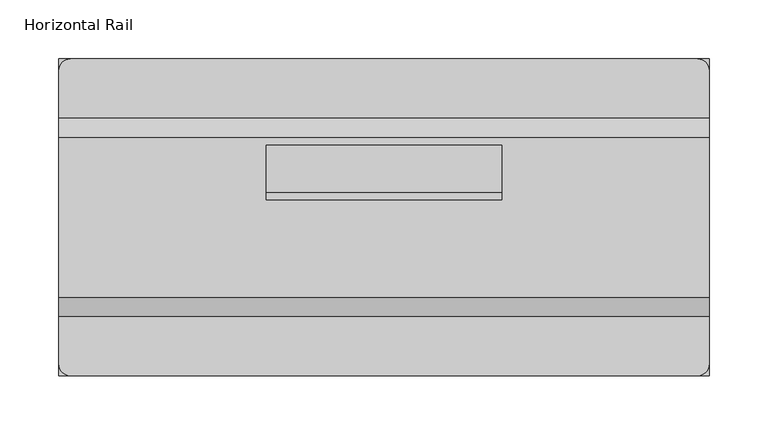
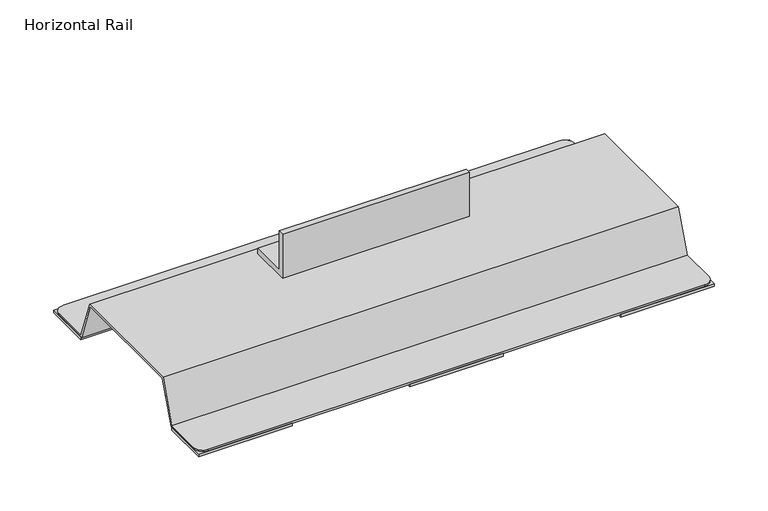
"""IFC4 building model written with IfcOpenShell, lengths in millimetres: proxy geometry, Horizontal Rail."""

from ifc_helpers import new_model, si_unit, frame, origin, origin_with_axes, place, context, project, spatial, polyline, circle_curve, outline, extrude, source, transform, mapped, element, save
from ifc_brep_helpers import plane_surface, cylinder_surface, advanced_brep


def horizontal_rail_a46c08f2(model_context):
    return source(origin(), model_context, "Body", "SolidModel", [
        extrude(outline(polyline([(61.0, 56.0), (61.0, 50.0), (15.0, 50.0), (15.0, 100.0), (21.0, 100.0), (21.0, 56.0), (61.0, 56.0)])), frame((-100.0, 0.0, 0.0), z_axis=(1.0, 0.0, 0.0), x_axis=(0.0, 1.0, 0.0)), (0.0, 0.0, 1.0), 200.0),
        extrude(outline(polyline([(-176.0, 134.5), (-176.0, 84.5), (-276.0, 84.5), (-276.0, 134.5), (-176.0, 134.5)])), origin_with_axes(), (0.0, 0.0, 1.0), 3.0),
        extrude(outline(polyline([(50.0, 134.5), (50.0, 84.5), (-50.0, 84.5), (-50.0, 134.5), (50.0, 134.5)])), origin_with_axes(), (0.0, 0.0, 1.0), 3.0),
        extrude(outline(polyline([(276.0, 134.5), (276.0, 84.5), (176.0, 84.5), (176.0, 134.5), (276.0, 134.5)])), origin_with_axes(), (0.0, 0.0, 1.0), 3.0),
        extrude(outline(polyline([(-176.0, -84.5), (-176.0, -134.5), (-276.0, -134.5), (-276.0, -84.5), (-176.0, -84.5)])), origin_with_axes(), (0.0, 0.0, 1.0), 3.0),
        extrude(outline(polyline([(50.0, -84.5), (50.0, -134.5), (-50.0, -134.5), (-50.0, -84.5), (50.0, -84.5)])), origin_with_axes(), (0.0, 0.0, 1.0), 3.0),
        extrude(outline(polyline([(276.0, -84.5), (276.0, -134.5), (176.0, -134.5), (176.0, -84.5), (276.0, -84.5)])), origin_with_axes(), (0.0, 0.0, 1.0), 3.0),
        advanced_brep(
        [(-276.0, 83.0995849, 3.0), (-276.0, 66.7209244, 48.0), (-276.0, -66.7209244, 48.0), (-276.0, -83.0995849, 3.0), (-276.0, -124.5, 3.0), (-276.0, -124.5, 5.0), (-276.0, -84.5, 5.0), (-276.0, -68.1213395, 50.0), (-276.0, 68.1213395, 50.0), (-276.0, 84.5, 5.0), (-276.0, 124.5, 5.0), (-276.0, 124.5, 3.0), (276.0, 84.5, 5.0), (276.0, 68.1213395, 50.0), (276.0, -68.1213395, 50.0), (276.0, -84.5, 5.0), (276.0, -124.5, 5.0), (276.0, -124.5, 3.0), (276.0, -83.0995849, 3.0), (276.0, -66.7209244, 48.0), (276.0, 66.7209244, 48.0), (276.0, 83.0995849, 3.0), (276.0, 124.5, 3.0), (276.0, 124.5, 5.0), (266.0, 134.5, 5.0), (-266.0, 134.5, 5.0), (266.0, 134.5, 3.0), (-266.0, 134.5, 3.0), (266.0, -134.5, 3.0), (-266.0, -134.5, 3.0), (266.0, -134.5, 5.0), (-266.0, -134.5, 5.0)],
        [
            (0, 1),
            (1, 2),
            (2, 3),
            (3, 4),
            (4, 5),
            (5, 6),
            (6, 7),
            (7, 8),
            (8, 9),
            (9, 10),
            (10, 11),
            (11, 0),
            (12, 13),
            (13, 14),
            (14, 15),
            (15, 16),
            (16, 17),
            (17, 18),
            (18, 19),
            (19, 20),
            (20, 21),
            (21, 22),
            (22, 23),
            (23, 12),
            (9, 12),
            (23, 24, circle_curve(frame((266.0, 124.5, 5.0), z_axis=(0.0, 0.0, 1.0), x_axis=(1.0, 0.0, 0.0)), 10.0)),
            (24, 25),
            (25, 10, circle_curve(frame((-266.0, 124.5, 5.0), z_axis=(0.0, 0.0, 1.0), x_axis=(1.0, 0.0, 0.0)), 10.0)),
            (24, 26),
            (26, 27),
            (27, 25),
            (21, 0),
            (11, 27, circle_curve(frame((-266.0, 124.5, 3.0), z_axis=(0.0, 0.0, -1.0), x_axis=(1.0, 0.0, 0.0)), 10.0)),
            (26, 22, circle_curve(frame((266.0, 124.5, 3.0), z_axis=(0.0, 0.0, -1.0), x_axis=(1.0, 0.0, 0.0)), 10.0)),
            (3, 18),
            (17, 28, circle_curve(frame((266.0, -124.5, 3.0), z_axis=(0.0, 0.0, -1.0), x_axis=(1.0, 0.0, 0.0)), 10.0)),
            (28, 29),
            (29, 4, circle_curve(frame((-266.0, -124.5, 3.0), z_axis=(0.0, 0.0, -1.0), x_axis=(1.0, 0.0, 0.0)), 10.0)),
            (28, 30),
            (30, 31),
            (31, 29),
            (15, 6),
            (5, 31, circle_curve(frame((-266.0, -124.5, 5.0), z_axis=(0.0, 0.0, 1.0), x_axis=(1.0, 0.0, 0.0)), 10.0)),
            (30, 16, circle_curve(frame((266.0, -124.5, 5.0), z_axis=(0.0, 0.0, 1.0), x_axis=(1.0, 0.0, 0.0)), 10.0)),
            (8, 13),
            (20, 1),
            (19, 2),
            (14, 7),
        ],
        [
            plane_surface(frame((-276.0, 84.5, 5.0), z_axis=(-1.0, 0.0, 0.0), x_axis=(0.0, 1.0, 0.0))),
            plane_surface(frame((276.0, 84.5, 5.0), z_axis=(1.0, 0.0, 0.0), x_axis=(0.0, -1.0, 0.0))),
            plane_surface(frame((-276.0, 84.5, 5.0), z_axis=(0.0, 0.0, 1.0), x_axis=(1.0, 0.0, 0.0))),
            plane_surface(frame((-276.0, 134.5, 5.0), z_axis=(0.0, 1.0, 0.0), x_axis=(1.0, 0.0, 0.0))),
            plane_surface(frame((-276.0, 134.5, 3.0), z_axis=(0.0, 0.0, -1.0), x_axis=(1.0, 0.0, 0.0))),
            plane_surface(frame((-276.0, -83.0995849, 3.0), z_axis=(0.0, 0.0, -1.0), x_axis=(1.0, 0.0, 0.0))),
            plane_surface(frame((-276.0, -134.5, 3.0), z_axis=(0.0, -1.0, 0.0), x_axis=(1.0, 0.0, 0.0))),
            plane_surface(frame((-276.0, -134.5, 5.0), z_axis=(0.0, 0.0, 1.0), x_axis=(1.0, 0.0, 0.0))),
            plane_surface(frame((-276.0, 68.1213395, 50.0), z_axis=(0.0, 0.9396926207859106, 0.3420201433256627), x_axis=(1.0, 0.0, 0.0))),
            plane_surface(frame((-276.0, 83.0995849, 3.0), z_axis=(0.0, -0.9396926207859109, -0.3420201433256619), x_axis=(1.0, 0.0, 0.0))),
            plane_surface(frame((-276.0, 66.7209244, 48.0), z_axis=(0.0, 0.0, -1.0), x_axis=(1.0, 0.0, 0.0))),
            plane_surface(frame((-276.0, -66.7209244, 48.0), z_axis=(0.0, 0.9396926207859101, -0.3420201433256639), x_axis=(1.0, 0.0, 0.0))),
            plane_surface(frame((-276.0, -84.5, 5.0), z_axis=(0.0, -0.9396926207859106, 0.34202014332566266), x_axis=(1.0, 0.0, 0.0))),
            plane_surface(frame((-276.0, -68.1213395, 50.0), z_axis=(0.0, 0.0, 1.0), x_axis=(1.0, 0.0, 0.0))),
            cylinder_surface(frame((-266.0, 124.5, 3.0), z_axis=(0.0, 0.0, -1.0), x_axis=(1.0, 0.0, 0.0)), 10.0),
            cylinder_surface(frame((266.0, 124.5, 0.0), z_axis=(0.0, 0.0, -1.0), x_axis=(1.0, 0.0, 0.0)), 10.0),
            cylinder_surface(frame((-266.0, -124.5, 0.0), z_axis=(0.0, 0.0, -1.0), x_axis=(1.0, 0.0, 0.0)), 10.0),
            cylinder_surface(frame((266.0, -124.5, 0.0), z_axis=(0.0, 0.0, -1.0), x_axis=(1.0, 0.0, 0.0)), 10.0),
        ],
        [
            (0, [[1, 2, 3, 4, 5, 6, 7, 8, 9, 10, 11, 12]]),
            (1, [[13, 14, 15, 16, 17, 18, 19, 20, 21, 22, 23, 24]]),
            (2, [[25, -24, 26, 27, 28, -10]]),
            (3, [[-27, 29, 30, 31]]),
            (4, [[32, -12, 33, -30, 34, -22]]),
            (5, [[35, -18, 36, 37, 38, -4]]),
            (6, [[-37, 39, 40, 41]]),
            (7, [[42, -6, 43, -40, 44, -16]]),
            (8, [[-9, 45, -13, -25]]),
            (9, [[-1, -32, -21, 46]]),
            (10, [[-2, -46, -20, 47]]),
            (11, [[-3, -47, -19, -35]]),
            (12, [[-7, -42, -15, 48]]),
            (13, [[-8, -48, -14, -45]]),
            (14, [[-11, -28, -31, -33]]),
            (15, [[-23, -34, -29, -26]]),
            (16, [[-5, -38, -41, -43]]),
            (17, [[-17, -44, -39, -36]]),
        ],
    ),
    ])


if __name__ == "__main__":
    model = new_model("IFC4")
    model_context = context("Model", 3, world=origin())
    ifc_project = project(units=[si_unit("LENGTHUNIT", "METRE", prefix="MILLI")], contexts=[model_context])
    site = spatial("IfcSite", under=ifc_project)
    building = spatial("IfcBuilding", under=site)
    placement = place(None, origin())
    horizontal_rail_shape = horizontal_rail_a46c08f2(model_context)
    element("IfcBuildingElementProxy", 1, Name="Horizontal Rail", ObjectType="Horizontal Rail", at=placement, inside=building, context=model_context, shape_type="MappedRepresentation", body=[
        mapped(horizontal_rail_shape, transform((0.0, 0.0, 0.0), x_axis=(1.0, 0.0, 0.0), y_axis=(0.0, 1.0, 0.0), z_axis=(0.0, 0.0, 1.0))),
    ])
    save(model, "model.ifc")
